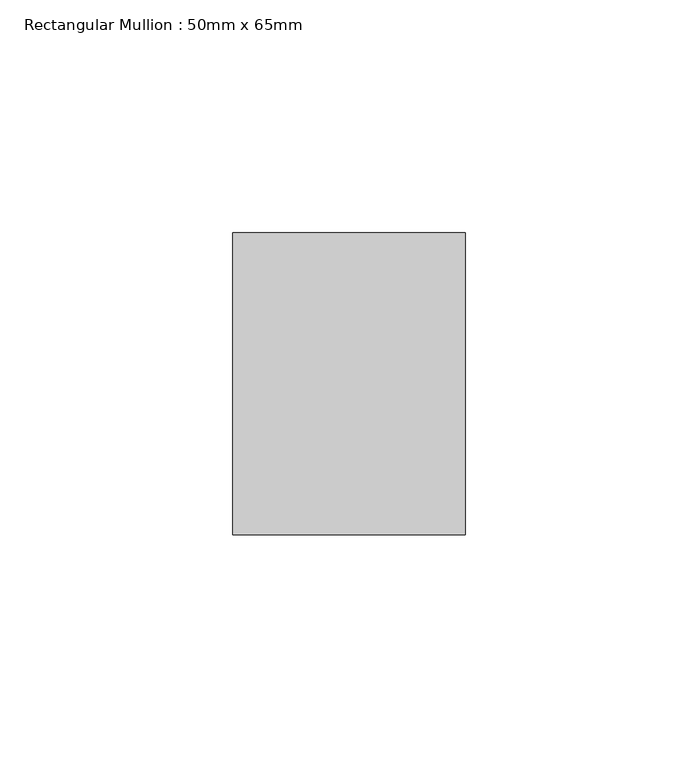
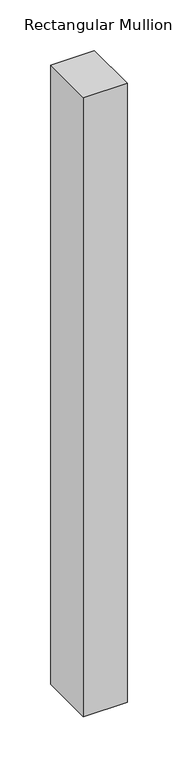
"""IFC4 building model written with IfcOpenShell, lengths in millimetres: member geometry, Rectangular Mullion : 50mm x 65mm."""

from ifc_helpers import new_model, si_unit, frame, origin, place, context, project, spatial, polyline, outline, extrude, source, transform, mapped, element, save


def rectangular_mullion_50mm_x_65mm_20ea8f12(model_context):
    return source(origin(), model_context, "Body", "SweptSolid", [
        extrude(outline(polyline([(25.0, 32.5), (25.0, -32.5), (-25.0, -32.5), (-25.0, 32.5), (25.0, 32.5)])), frame((0.0, 0.0, -748.3577999), z_axis=(0.0, 0.0, 1.0), x_axis=(1.0, 0.0, 0.0)), (0.0, 0.0, 1.0), 748.3577999),
    ])


if __name__ == "__main__":
    model = new_model("IFC4")
    model_context = context("Model", 3, world=origin())
    ifc_project = project(units=[si_unit("LENGTHUNIT", "METRE", prefix="MILLI")], contexts=[model_context])
    site = spatial("IfcSite", under=ifc_project)
    building = spatial("IfcBuilding", under=site)
    placement = place(None, origin())
    rectangular_mullion_50mm_x_65mm_shape = rectangular_mullion_50mm_x_65mm_20ea8f12(model_context)
    element("IfcMember", 1, ObjectType="Rectangular Mullion : 50mm x 65mm", at=placement, inside=building, context=model_context, shape_type="MappedRepresentation", body=[
        mapped(rectangular_mullion_50mm_x_65mm_shape, transform((0.0, 0.0, 0.0), x_axis=(1.0, 0.0, 0.0), y_axis=(0.0, 1.0, 0.0), z_axis=(0.0, 0.0, 1.0))),
    ])
    save(model, "model.ifc")
